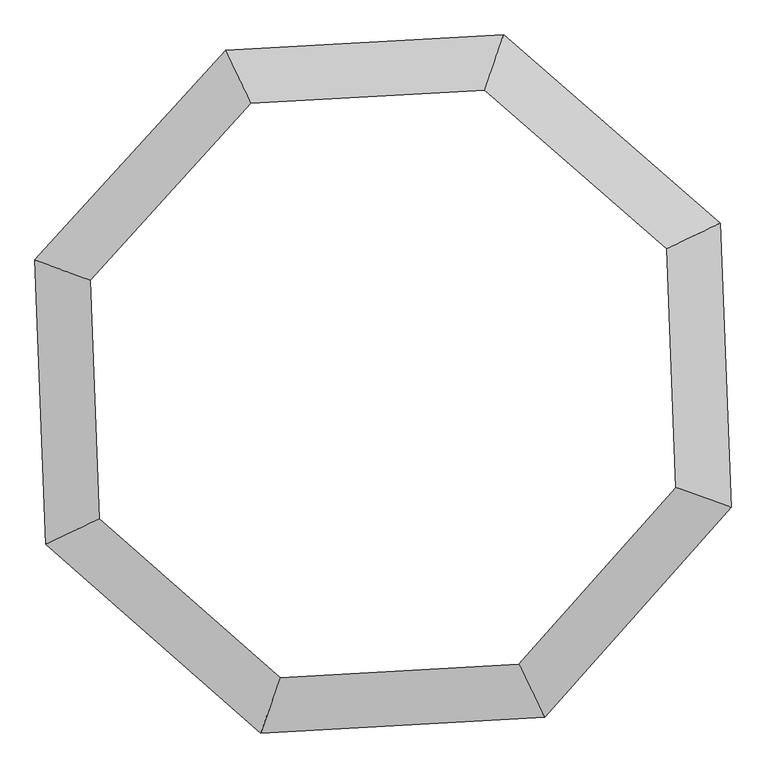
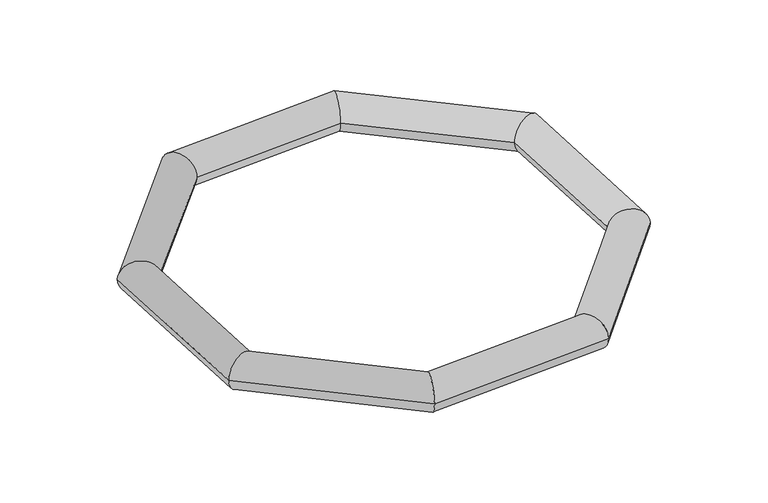
"""IFC4 building model written with IfcOpenShell, lengths in millimetres: plate geometry."""

from ifc_helpers import new_model, si_unit, frame, origin, place, context, project, spatial, ellipse_curve, source, transform, mapped, element, save
from ifc_brep_helpers import cylinder_surface, advanced_brep


def plate_057f4e92(model_context):
    return source(origin(), model_context, "Body", "AdvancedBrep", [
        advanced_brep(
        [(-102163.3509529, 122041.456574, -2286.5), (-102214.4271152, 122148.7994068, -2286.5), (-102600.555347, 121724.0601977, -2286.5), (-102488.9001876, 121683.3539722, -2286.5), (-102578.3096965, 121148.4055049, -2286.5), (-102470.216138, 121199.8634658, -2286.5), (-102142.6304262, 120765.659255, -2286.5), (-102103.8611513, 120878.0189191, -2286.5), (-101568.1507199, 120798.0377173, -2286.5), (-101619.9894023, 120905.2905929, -2286.5), (-101190.3083768, 121223.1037341, -2286.5), (-101301.9359147, 121263.0951946, -2286.5), (-101212.5467979, 121798.5713512, -2286.5), (-101320.6271937, 121746.7727766, -2286.5), (-101651.2736968, 122179.9508258, -2286.5), (-101689.7586181, 122067.6538282, -2286.5)],
        [
            (0, 1, ellipse_curve(frame((-102188.889034, 122095.1279904, -2286.5), z_axis=(-0.9029893700253081, -0.42966288834538324, 0.0), x_axis=(-0.42966288834538297, 0.9029893700253081, 0.0)), 59.4374842, 55.0)),
            (1, 2),
            (2, 3, ellipse_curve(frame((-102544.7277673, 121703.7070849, -2286.5), z_axis=(0.3425184395397602, 0.9395111061478986, 0.0), x_axis=(0.939511106147898, -0.3425184395397608, 0.0)), 59.4219476, 55.0)),
            (3, 0),
            (1, 0, ellipse_curve(frame((-102188.889034, 122095.1279904, -2286.5), z_axis=(-0.9029893700253081, -0.42966288834538324, 0.0), x_axis=(-0.42966288834538297, 0.9029893700253081, 0.0)), 59.4374842, 55.0)),
            (3, 2, ellipse_curve(frame((-102544.7277673, 121703.7070849, -2286.5), z_axis=(0.3425184395397602, 0.9395111061478986, 0.0), x_axis=(0.939511106147898, -0.3425184395397608, 0.0)), 59.4219476, 55.0)),
            (2, 4),
            (4, 5, ellipse_curve(frame((-102524.2629172, 121174.1344854, -2286.5), z_axis=(-0.429830337670931, 0.9029096747835262, 0.0), x_axis=(0.9029096747835262, 0.42983033767093176, 0.0)), 59.8584562, 55.0)),
            (5, 3),
            (5, 4, ellipse_curve(frame((-102524.2629172, 121174.1344854, -2286.5), z_axis=(-0.429830337670931, 0.9029096747835262, 0.0), x_axis=(0.9029096747835262, 0.42983033767093176, 0.0)), 59.8584562, 55.0)),
            (4, 6),
            (6, 7, ellipse_curve(frame((-102123.2457887, 120821.8390871, -2286.5), z_axis=(-0.9453092758994491, 0.3261753713854848, 0.0), x_axis=(0.32617537138548386, 0.9453092758994495, 0.0)), 59.4301076, 55.0)),
            (7, 5),
            (7, 6, ellipse_curve(frame((-102123.2457887, 120821.8390871, -2286.5), z_axis=(-0.9453092758994491, 0.3261753713854848, 0.0), x_axis=(0.32617537138548386, 0.9453092758994495, 0.0)), 59.4301076, 55.0)),
            (6, 8),
            (8, 9, ellipse_curve(frame((-101594.0700611, 120851.6641551, -2286.5), z_axis=(-0.9003496352474416, -0.43516724866400386, 0.0), x_axis=(-0.4351672486640036, 0.9003496352474416, 0.0)), 59.5617921, 55.0)),
            (9, 7),
            (9, 8, ellipse_curve(frame((-101594.0700611, 120851.6641551, -2286.5), z_axis=(-0.9003496352474416, -0.43516724866400386, 0.0), x_axis=(-0.4351672486640036, 0.9003496352474416, 0.0)), 59.5617921, 55.0)),
            (8, 10),
            (10, 11, ellipse_curve(frame((-101246.1221458, 121243.0994643, -2286.5), z_axis=(-0.33726729672820455, -0.9414089284458955, 0.0), x_axis=(-0.9414089284458956, 0.33726729672820444, 0.0)), 59.2874863, 55.0)),
            (11, 9),
            (11, 10, ellipse_curve(frame((-101246.1221458, 121243.0994643, -2286.5), z_axis=(-0.33726729672820455, -0.9414089284458955, 0.0), x_axis=(-0.9414089284458956, 0.33726729672820444, 0.0)), 59.2874863, 55.0)),
            (10, 12),
            (12, 13, ellipse_curve(frame((-101266.5869958, 121772.6720639, -2286.5), z_axis=(0.43218838581273417, -0.9017833438074708, 0.0), x_axis=(-0.9017833438074707, -0.4321883858127344, 0.0)), 59.9259215, 55.0)),
            (13, 11),
            (13, 12, ellipse_curve(frame((-101266.5869958, 121772.6720639, -2286.5), z_axis=(0.43218838581273417, -0.9017833438074708, 0.0), x_axis=(-0.9017833438074707, -0.4321883858127344, 0.0)), 59.9259215, 55.0)),
            (12, 14),
            (14, 15, ellipse_curve(frame((-101670.5161574, 122123.802327, -2286.5), z_axis=(0.9459896308783391, -0.32419688195703494, 0.0), x_axis=(-0.3241968819570347, -0.9459896308783391, 0.0)), 59.3542434, 55.0)),
            (15, 13),
            (15, 14, ellipse_curve(frame((-101670.5161574, 122123.802327, -2286.5), z_axis=(0.9459896308783391, -0.32419688195703494, 0.0), x_axis=(-0.3241968819570347, -0.9459896308783391, 0.0)), 59.3542434, 55.0)),
            (14, 1),
            (0, 15),
        ],
        [
            cylinder_surface(frame((-102188.889034, 122095.1279904, -2286.5), z_axis=(0.6726743945854129, 0.7399386183117815, 0.0), x_axis=(0.7399386183117815, -0.6726743945854129, 0.0)), 55.0),
            cylinder_surface(frame((-102544.7277673, 121703.7070849, -2286.5), z_axis=(-0.03861526530139082, 0.9992541524986039, 0.0), x_axis=(0.9992541524986039, 0.03861526530139082, 0.0)), 55.0),
            cylinder_surface(frame((-102524.2629172, 121174.1344854, -2286.5), z_axis=(-0.7512704103481783, 0.6599945231100632, 0.0), x_axis=(0.6599945231100632, 0.7512704103481783, 0.0)), 55.0),
            cylinder_surface(frame((-102123.2457887, 120821.8390871, -2286.5), z_axis=(-0.9984154721535011, -0.056272062024608036, 0.0), x_axis=(-0.056272062024608036, 0.9984154721535011, 0.0)), 55.0),
            cylinder_surface(frame((-101594.0700611, 120851.6641551, -2286.5), z_axis=(-0.6643696180049021, -0.7474041815992338, 0.0), x_axis=(-0.7474041815992338, 0.6643696180049021, 0.0)), 55.0),
            cylinder_surface(frame((-101246.1221458, 121243.0994643, -2286.5), z_axis=(0.03861526530139147, -0.9992541524986038, 0.0), x_axis=(-0.9992541524986038, -0.03861526530139147, 0.0)), 55.0),
            cylinder_surface(frame((-101266.5869958, 121772.6720639, -2286.5), z_axis=(0.7547095802227685, -0.6560590289905114, 0.0), x_axis=(-0.6560590289905114, -0.7547095802227685, 0.0)), 55.0),
            cylinder_surface(frame((-101670.5161574, 122123.802327, -2286.5), z_axis=(0.998473569774871, 0.05523160744560793, 0.0), x_axis=(0.05523160744560793, -0.998473569774871, 0.0)), 55.0),
        ],
        [
            (0, [[1, 2, 3, 4]]),
            (0, [[5, -4, 6, -2]]),
            (1, [[-3, 7, 8, 9]]),
            (1, [[-6, -9, 10, -7]]),
            (2, [[-8, 11, 12, 13]]),
            (2, [[-10, -13, 14, -11]]),
            (3, [[-12, 15, 16, 17]]),
            (3, [[-14, -17, 18, -15]]),
            (4, [[-16, 19, 20, 21]]),
            (4, [[-18, -21, 22, -19]]),
            (5, [[-20, 23, 24, 25]]),
            (5, [[-22, -25, 26, -23]]),
            (6, [[-24, 27, 28, 29]]),
            (6, [[-26, -29, 30, -27]]),
            (7, [[-28, 31, -1, 32]]),
            (7, [[-30, -32, -5, -31]]),
        ],
    ),
    ])


if __name__ == "__main__":
    model = new_model("IFC4")
    model_context = context("Model", 3, world=origin())
    ifc_project = project(units=[si_unit("LENGTHUNIT", "METRE", prefix="MILLI")], contexts=[model_context])
    site = spatial("IfcSite", under=ifc_project)
    building = spatial("IfcBuilding", under=site)
    placement = place(None, origin())
    plate_shape = plate_057f4e92(model_context)
    element("IfcPlate", 1, at=placement, inside=building, context=model_context, shape_type="MappedRepresentation", body=[
        mapped(plate_shape, transform((0.0, 0.0, 0.0), x_axis=(1.0, 0.0, 0.0), y_axis=(0.0, 1.0, 0.0), z_axis=(0.0, 0.0, 1.0))),
    ])
    save(model, "model.ifc")
